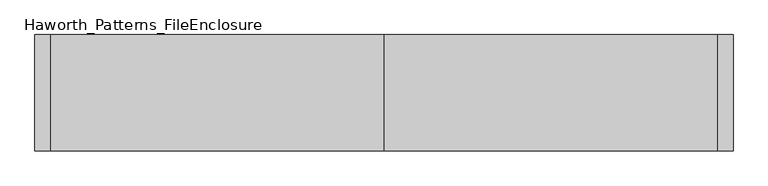
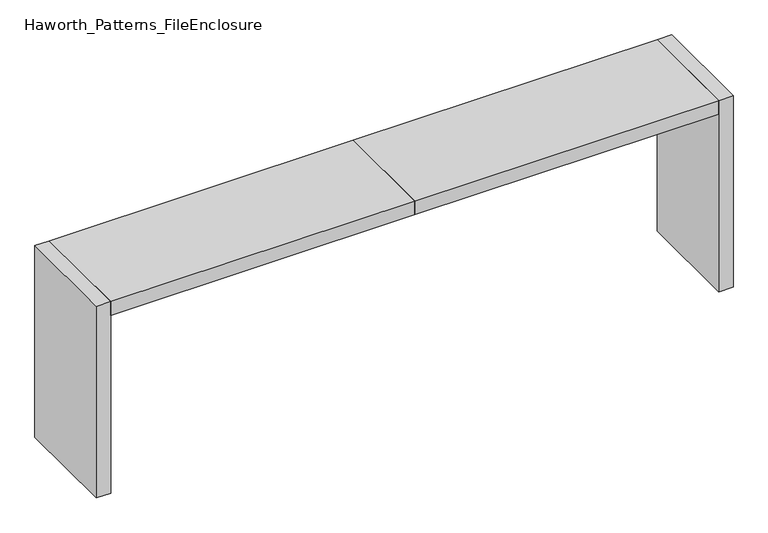
"""IFC4 building model written with IfcOpenShell, lengths in millimetres: furniture geometry, Haworth_Patterns_FileEnclosure."""

from ifc_helpers import new_model, si_unit, frame, origin, origin_with_axes, place, context, project, spatial, polyline, outline, extrude, source, transform, mapped, element, save


def haworth_patterns_fileenclosure_7b41d3f2(model_context):
    return source(origin(), model_context, "Body", "SweptSolid", [
        extrude(outline(polyline([(0.0, 0.0), (1600.2, 0.0), (1600.2, -558.8), (0.0, -558.8), (0.0, 0.0)])), frame((0.0, 0.0, 990.6), z_axis=(0.0, 0.0, 1.0), x_axis=(1.0, 0.0, 0.0)), (0.0, 0.0, 1.0), 76.2),
        extrude(outline(polyline([(0.0, 0.0), (0.0, -558.8), (-1600.2, -558.8), (-1600.2, 0.0), (0.0, 0.0)])), frame((0.0, 0.0, 990.6), z_axis=(0.0, 0.0, 1.0), x_axis=(1.0, 0.0, 0.0)), (0.0, 0.0, 1.0), 76.2),
        extrude(outline(polyline([(1600.2, 0.0), (1676.4, 0.0), (1676.4, -558.8), (1600.2, -558.8), (1600.2, 0.0)])), origin_with_axes(), (0.0, 0.0, 1.0), 1066.8),
        extrude(outline(polyline([(-1600.2, 0.0), (-1600.2, -558.8), (-1676.4, -558.8), (-1676.4, 0.0), (-1600.2, 0.0)])), origin_with_axes(), (0.0, 0.0, 1.0), 1066.8),
    ])


if __name__ == "__main__":
    model = new_model("IFC4")
    model_context = context("Model", 3, world=origin())
    ifc_project = project(units=[si_unit("LENGTHUNIT", "METRE", prefix="MILLI")], contexts=[model_context])
    site = spatial("IfcSite", under=ifc_project)
    building = spatial("IfcBuilding", under=site)
    placement = place(None, origin())
    haworth_patterns_fileenclosure_shape = haworth_patterns_fileenclosure_7b41d3f2(model_context)
    element("IfcFurniture", 1, ObjectType="Haworth_Patterns_FileEnclosure", at=placement, inside=building, context=model_context, shape_type="MappedRepresentation", body=[
        mapped(haworth_patterns_fileenclosure_shape, transform((0.0, 0.0, 0.0), x_axis=(1.0, 0.0, 0.0), y_axis=(0.0, 1.0, 0.0), z_axis=(0.0, 0.0, 1.0))),
    ])
    save(model, "model.ifc")
